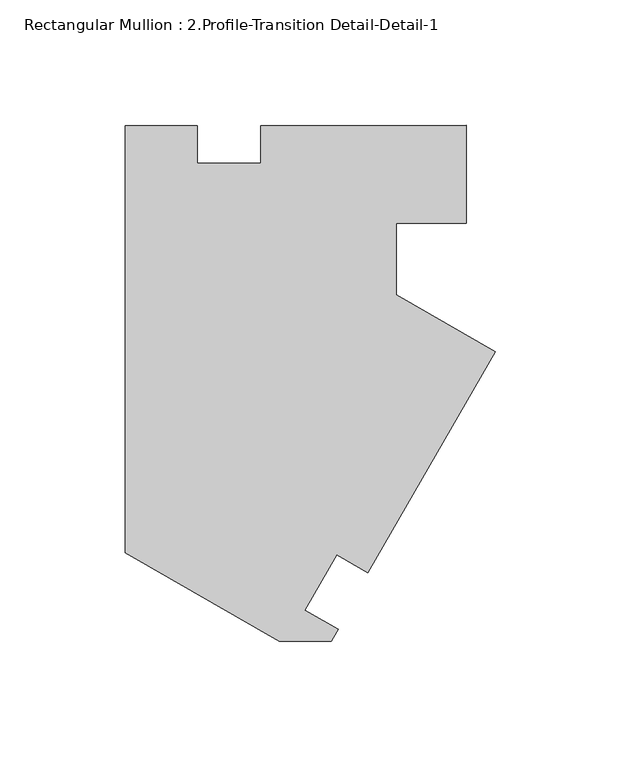
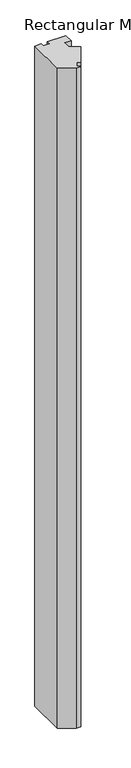
"""IFC4 building model written with IfcOpenShell, lengths in millimetres: member geometry, Rectangular Mullion : 2.Profile-Transition Detail-Detail-1."""

from ifc_helpers import new_model, si_unit, frame, origin, place, context, project, spatial, polyline, outline, extrude, source, transform, mapped, element, save


def rectangular_mullion_2_profile_transition_detail_detail_1_aa63a8ad(model_context):
    return source(origin(), model_context, "Body", "SweptSolid", [
        extrude(outline(polyline([(-93.3078437, 155.2030846), (-93.3078437, 170.260202), (-11.5515925, 170.3002017), (-11.5515925, 131.4382017), (-39.3455425, 131.4382017), (-39.3455425, 102.8147491), (0.0, 80.0985896), (-50.8, -7.8895915), (-63.173338, -0.7458415), (-75.8732009, -22.7426492), (-62.5550898, -30.4318642), (-65.2825265, -35.1559232), (-86.119426, -35.1566509), (-147.2891925, 0.1597302), (-147.2891925, 170.259375), (-118.7078437, 170.259375), (-118.7078437, 155.2030846), (-93.3078437, 155.2030846)])), frame((0.0, 0.0, -3048.0), z_axis=(0.0, 0.0, 1.0), x_axis=(1.0, 0.0, 0.0)), (0.0, 0.0, 1.0), 3048.0),
    ])


if __name__ == "__main__":
    model = new_model("IFC4")
    model_context = context("Model", 3, world=origin())
    ifc_project = project(units=[si_unit("LENGTHUNIT", "METRE", prefix="MILLI")], contexts=[model_context])
    site = spatial("IfcSite", under=ifc_project)
    building = spatial("IfcBuilding", under=site)
    placement = place(None, origin())
    rectangular_mullion_2_profile_transition_detail_detail_1_shape = rectangular_mullion_2_profile_transition_detail_detail_1_aa63a8ad(model_context)
    element("IfcMember", 1, ObjectType="Rectangular Mullion : 2.Profile-Transition Detail-Detail-1", at=placement, inside=building, context=model_context, shape_type="MappedRepresentation", body=[
        mapped(rectangular_mullion_2_profile_transition_detail_detail_1_shape, transform((0.0, 0.0, 0.0), x_axis=(1.0, 0.0, 0.0), y_axis=(0.0, 1.0, 0.0), z_axis=(0.0, 0.0, 1.0))),
    ])
    save(model, "model.ifc")
